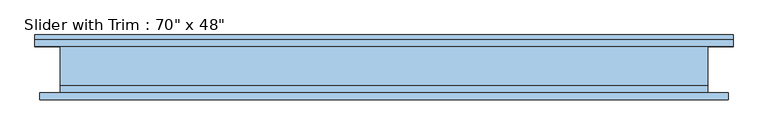
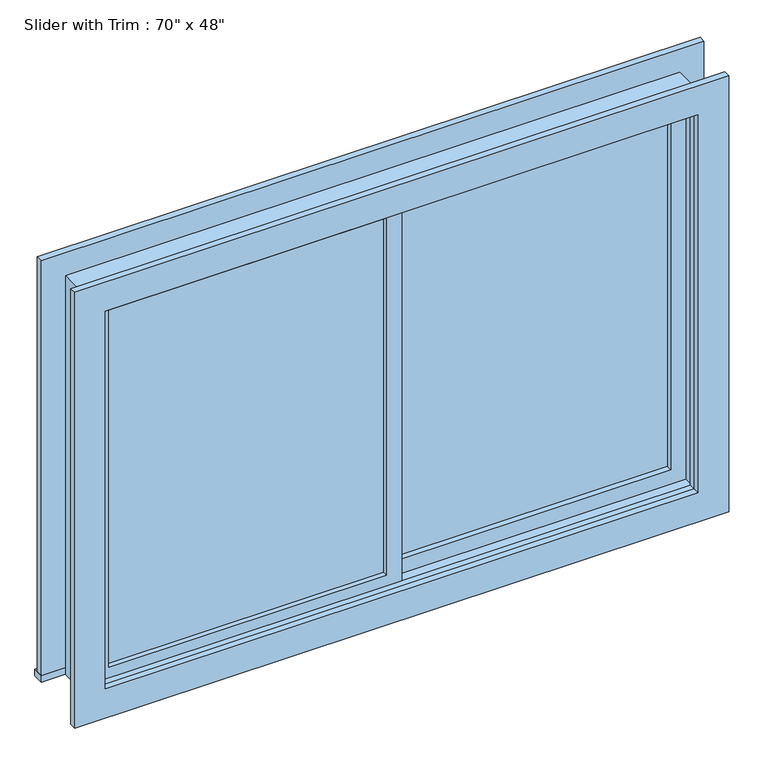
"""IFC4 building model written with IfcOpenShell, lengths in millimetres: window geometry."""

from ifc_helpers import new_model, si_unit, frame, origin, place, context, project, spatial, polyline, outline, extrude, source, transform, mapped, element, save


def window_d6fae19c(model_context):
    return source(origin(), model_context, "Body", "SweptSolid", [
        extrude(outline(polyline([(-825.5, -15.875), (-22.225, -15.875), (-22.225, -28.575), (-825.5, -28.575), (-825.5, -15.875)])), frame((0.0, 0.0, 977.9), z_axis=(0.0, 0.0, 1.0), x_axis=(1.0, 0.0, 0.0)), (0.0, 0.0, 1.0), 1092.2),
        extrude(outline(polyline([(2114.55, -869.95), (933.45, -869.95), (933.45, 22.225), (2114.55, 22.225), (2114.55, -869.95)]), holes=[polyline([(2070.1, -825.5), (2070.1, -22.225), (977.9, -22.225), (977.9, -825.5), (2070.1, -825.5)])]), frame((0.0, -44.45, 0.0), z_axis=(0.0, 1.0, 0.0), x_axis=(0.0, 0.0, 1.0)), (0.0, 0.0, 1.0), 44.45),
        extrude(outline(polyline([(-958.85, 95.25), (958.85, 95.25), (958.85, 63.5), (-958.85, 63.5), (-958.85, 95.25)])), frame((0.0, 0.0, 914.4), z_axis=(0.0, 0.0, 1.0), x_axis=(1.0, 0.0, 0.0)), (0.0, 0.0, 1.0), 19.05),
        extrude(outline(polyline([(2114.55, -869.95), (2114.55, 869.95), (933.45, 869.95), (933.45, 958.85), (2203.45, 958.85), (2203.45, -958.85), (933.45, -958.85), (933.45, -869.95), (2114.55, -869.95)])), frame((0.0, 63.5, 0.0), z_axis=(0.0, 1.0, 0.0), x_axis=(0.0, 0.0, 1.0)), (0.0, 0.0, 1.0), 19.05),
        extrude(outline(polyline([(2190.75, 946.15), (2190.75, -946.15), (857.25, -946.15), (857.25, 946.15), (2190.75, 946.15)]), holes=[polyline([(2101.85, 857.25), (946.15, 857.25), (946.15, -857.25), (2101.85, -857.25), (2101.85, 857.25)])]), frame((0.0, -82.55, 0.0), z_axis=(0.0, 1.0, 0.0), x_axis=(0.0, 0.0, 1.0)), (0.0, 0.0, 1.0), 19.05),
        extrude(outline(polyline([(825.5, 15.875), (22.225, 15.875), (22.225, 28.575), (825.5, 28.575), (825.5, 15.875)])), frame((0.0, 0.0, 977.9), z_axis=(0.0, 0.0, 1.0), x_axis=(1.0, 0.0, 0.0)), (0.0, 0.0, 1.0), 1092.2),
        extrude(outline(polyline([(2114.55, -22.225), (933.45, -22.225), (933.45, 869.95), (2114.55, 869.95), (2114.55, -22.225)]), holes=[polyline([(2070.1, 22.225), (2070.1, 825.5), (977.9, 825.5), (977.9, 22.225), (2070.1, 22.225)])]), frame((0.0, 0.0, 0.0), z_axis=(0.0, 1.0, 0.0), x_axis=(0.0, 0.0, 1.0)), (0.0, 0.0, 1.0), 44.45),
        extrude(outline(polyline([(2133.6, -889.0), (914.4, -889.0), (914.4, 889.0), (2133.6, 889.0), (2133.6, -889.0)]), holes=[polyline([(2101.85, -857.25), (2101.85, 857.25), (946.15, 857.25), (946.15, -857.25), (2101.85, -857.25)])]), frame((0.0, -63.5, 0.0), z_axis=(0.0, 1.0, 0.0), x_axis=(0.0, 0.0, 1.0)), (0.0, 0.0, 1.0), 19.05),
        extrude(outline(polyline([(2133.6, 889.0), (2133.6, -889.0), (914.4, -889.0), (914.4, 889.0), (2133.6, 889.0)]), holes=[polyline([(2114.55, 869.95), (933.45, 869.95), (933.45, -869.95), (2114.55, -869.95), (2114.55, 869.95)])]), frame((0.0, -44.45, 0.0), z_axis=(0.0, 1.0, 0.0), x_axis=(0.0, 0.0, 1.0)), (0.0, 0.0, 1.0), 107.95),
    ])


if __name__ == "__main__":
    model = new_model("IFC4")
    model_context = context("Model", 3, world=origin())
    ifc_project = project(units=[si_unit("LENGTHUNIT", "METRE", prefix="MILLI")], contexts=[model_context])
    site = spatial("IfcSite", under=ifc_project)
    building = spatial("IfcBuilding", under=site)
    placement = place(None, origin())
    window_shape = window_d6fae19c(model_context)
    element("IfcWindow", 1, ObjectType="Slider with Trim : 70\" x 48\"", at=placement, inside=building, context=model_context, shape_type="MappedRepresentation", body=[
        mapped(window_shape, transform((0.0, 0.0, 0.0), x_axis=(1.0, 0.0, 0.0), y_axis=(0.0, 1.0, 0.0), z_axis=(0.0, 0.0, 1.0))),
    ])
    save(model, "model.ifc")
